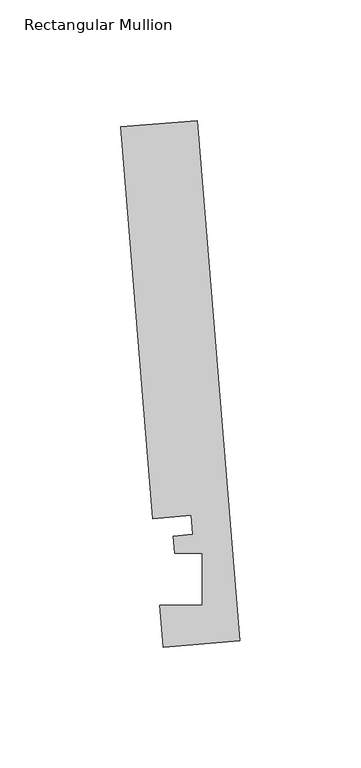
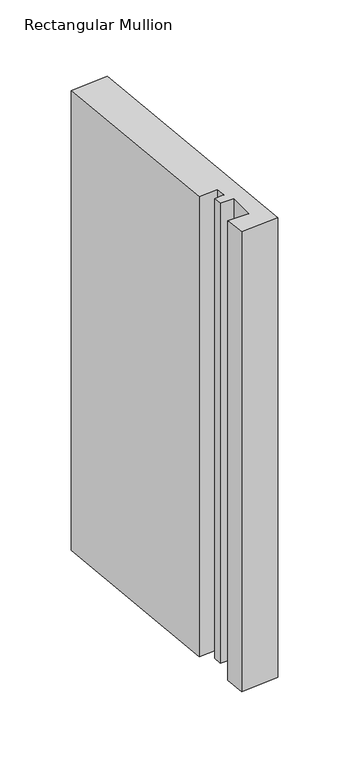
"""IFC4 building model written with IfcOpenShell, lengths in millimetres: member geometry, Rectangular Mullion."""

import ifcopenshell
import ifcopenshell.guid

model = None  # the IFC model being written
_history = None  # IfcOwnerHistory: only IFC2X3 demands one
_inside = {}  # id of a spatial element -> (the spatial element, [elements in it])
_under = {}  # id of a project, library or spatial element -> (it, [spatial elements below it])
_declared = {}  # id of a project -> (the project, [libraries it declares])
_typed = {}  # id of a type object -> (the type object, [elements of that type])
_made_of = {}  # id of a material, layer set ... -> (it, [elements and type objects made of it])


def new_model(schema):
    """Start an empty IFC model of exactly this schema.

    Asked for "IFC4X3", IfcOpenShell would pick the latest addendum, in which some entities
    have other attributes; the version numbers below select the first issue.
    IFC2X3 requires an IfcOwnerHistory on every rooted entity: one is made here for all.
    """
    global model, _history
    if schema == "IFC4X3":
        model = ifcopenshell.file(schema_version=(4, 3, 0, 0))
    else:
        model = ifcopenshell.file(schema=schema)
    _inside.clear()
    _under.clear()
    _declared.clear()
    _typed.clear()
    _made_of.clear()
    _history = None
    if model.schema == "IFC2X3":
        org = make("IfcOrganization", Name="unknown")
        user = make(
            "IfcPersonAndOrganization",
            ThePerson=make("IfcPerson", FamilyName="unknown"),
            TheOrganization=org,
        )
        app = make(
            "IfcApplication",
            ApplicationDeveloper=org,
            Version="unknown",
            ApplicationFullName="unknown",
            ApplicationIdentifier="unknown",
        )
        _history = make(
            "IfcOwnerHistory",
            OwningUser=user,
            OwningApplication=app,
            ChangeAction="ADDED",
            CreationDate=0,
        )
    return model


def make(cls, **values):
    """One entity of the class cls with the attributes given. An attribute that is None is left unset."""
    return model.create_entity(
        cls, **{name: value for name, value in values.items() if value is not None}
    )


def rooted(cls, **values):
    """An entity with a GlobalId (a new one), such as an element, a storey or a relation."""
    return make(cls, GlobalId=ifcopenshell.guid.new(), OwnerHistory=_history, **values)


def si_unit(unit_type, name, prefix=None):
    """IfcSIUnit, for example si_unit("LENGTHUNIT", "METRE", prefix="MILLI")."""
    return make("IfcSIUnit", UnitType=unit_type, Prefix=prefix, Name=name)


def assignment(units):
    """IfcUnitAssignment: the units of a project."""
    return None if units is None else make("IfcUnitAssignment", Units=units)


def point(xyz):
    """IfcCartesianPoint."""
    return None if xyz is None else make("IfcCartesianPoint", Coordinates=xyz)


def direction(xyz):
    """IfcDirection."""
    return None if xyz is None else make("IfcDirection", DirectionRatios=xyz)


def frame(location, z_axis=None, x_axis=None):
    """IfcAxis2Placement3D, a coordinate frame: its origin and axes. An axis left out is left unset."""
    return make(
        "IfcAxis2Placement3D",
        Location=point(location),
        Axis=direction(z_axis),
        RefDirection=direction(x_axis),
    )


def origin():
    """The frame at (0, 0, 0) with its axes left unset."""
    return frame((0.0, 0.0, 0.0))


def place(relative_to, where):
    """IfcLocalPlacement: puts the frame where relative to a parent placement (None: the world)."""
    return make(
        "IfcLocalPlacement", PlacementRelTo=relative_to, RelativePlacement=where
    )


def context(
    kind, dimensions, precision=None, world=None, true_north=None, identifier=None
):
    """IfcGeometricRepresentationContext, for example the 3D "Model" context."""
    return make(
        "IfcGeometricRepresentationContext",
        ContextIdentifier=identifier,
        ContextType=kind,
        CoordinateSpaceDimension=dimensions,
        Precision=precision,
        WorldCoordinateSystem=world,
        TrueNorth=true_north,
    )


def project(units=None, contexts=None):
    """IfcProject with its units and contexts."""
    return rooted(
        "IfcProject",
        Name="project",
        RepresentationContexts=contexts,
        UnitsInContext=assignment(units),
    )


def spatial(cls, under=None, at=None, **own):
    """A site, building, storey or space (cls), placed at a placement, below another one or the project."""
    s = rooted(cls, ObjectPlacement=at, **own)
    if under is not None:
        _under.setdefault(under.id(), (under, []))[1].append(s)
    return s


def polyline(points):
    """IfcPolyline through the points."""
    return make("IfcPolyline", Points=[point(p) for p in points])


def outline(outer, holes=None, kind="AREA"):
    """IfcArbitraryClosedProfileDef: a profile drawn as a closed curve; with holes, ...WithVoids."""
    if holes is None:
        return make("IfcArbitraryClosedProfileDef", ProfileType=kind, OuterCurve=outer)
    return make(
        "IfcArbitraryProfileDefWithVoids",
        ProfileType=kind,
        OuterCurve=outer,
        InnerCurves=holes,
    )


def extrude(swept, where, along, depth):
    """IfcExtrudedAreaSolid: the profile swept, set in the frame where, extruded along a direction by depth."""
    return make(
        "IfcExtrudedAreaSolid",
        SweptArea=swept,
        Position=where,
        ExtrudedDirection=direction(along),
        Depth=depth,
    )


def shape(context_of_items, identifier, shape_type, items):
    """IfcShapeRepresentation: the items that make up one representation, for example the "Body"."""
    return make(
        "IfcShapeRepresentation",
        ContextOfItems=context_of_items,
        RepresentationIdentifier=identifier,
        RepresentationType=shape_type,
        Items=items,
    )


def source(mapping_origin, context_of_items, identifier, shape_type, items):
    """IfcRepresentationMap: a shape defined once, which mapped items show again and again."""
    return make(
        "IfcRepresentationMap",
        MappingOrigin=mapping_origin,
        MappedRepresentation=shape(context_of_items, identifier, shape_type, items),
    )


def transform(
    local_origin,
    x_axis=None,
    y_axis=None,
    z_axis=None,
    scale=None,
    scale2=None,
    scale3=None,
    uniform=True,
):
    """IfcCartesianTransformationOperator3D, or its non-uniform kind. x_axis, y_axis, z_axis: its Axis1, 2, 3."""
    if uniform:
        return make(
            "IfcCartesianTransformationOperator3D",
            Axis1=direction(x_axis),
            Axis2=direction(y_axis),
            LocalOrigin=point(local_origin),
            Scale=scale,
            Axis3=direction(z_axis),
        )
    return make(
        "IfcCartesianTransformationOperator3DnonUniform",
        Axis1=direction(x_axis),
        Axis2=direction(y_axis),
        LocalOrigin=point(local_origin),
        Scale=scale,
        Axis3=direction(z_axis),
        Scale2=scale2,
        Scale3=scale3,
    )


def mapped(mapping_source, mapping_target):
    """IfcMappedItem: shows the shape of a source again, moved by a transform."""
    return make(
        "IfcMappedItem", MappingSource=mapping_source, MappingTarget=mapping_target
    )


def made_of(thing, what):
    """Note that an element or type object is made of a material, layer set ...; save() writes the relation."""
    if what is not None:
        _made_of.setdefault(what.id(), (what, []))[1].append(thing)
    return thing


def element(
    cls,
    number,
    at=None,
    inside=None,
    cuts=None,
    type_object=None,
    material=None,
    context=None,
    identifier="Body",
    shape_type=None,
    held_by="IfcProductDefinitionShape",
    body=None,
    shapes=None,
    **own,
):
    """One element of the class cls, such as IfcWall. Its Tag is "e" and its number.

    at: its placement. inside: the storey or other place that contains it. cuts: it is an
    opening in that element (IfcRelVoidsElement). A single representation is given by context,
    identifier, shape_type and body (its items); several are given by shapes. held_by: the class
    of the entity that holds the representations. save() writes the other relations.
    """
    e = rooted(cls, Tag="e%d" % number, ObjectPlacement=at, **own)
    if body is not None:
        shapes = [shape(context, identifier, shape_type, body)]
    if shapes is not None:
        e.Representation = make(held_by, Representations=shapes)
    if inside is not None:
        _inside.setdefault(inside.id(), (inside, []))[1].append(e)
    if cuts is not None:
        rooted(
            "IfcRelVoidsElement", RelatingBuildingElement=cuts, RelatedOpeningElement=e
        )
    if type_object is not None:
        _typed.setdefault(type_object.id(), (type_object, []))[1].append(e)
    return made_of(e, material)


def aggregate(whole, parts):
    """IfcRelAggregates: a whole, such as a stair, and the parts it consists of."""
    return rooted("IfcRelAggregates", RelatingObject=whole, RelatedObjects=parts)


def save(model, path):
    """Write the relations noted so far, then the file.

    IfcRelAggregates (storeys below a building ...), IfcRelContainedInSpatialStructure (elements
    in a storey), IfcRelDefinesByType, IfcRelAssociatesMaterial and IfcRelDeclares: one each for
    every whole, place, type object, material and project.
    """
    for whole, parts in _under.values():
        aggregate(whole, parts)
    for where, things in _inside.values():
        rooted(
            "IfcRelContainedInSpatialStructure",
            RelatedElements=things,
            RelatingStructure=where,
        )
    for kind, things in _typed.values():
        rooted("IfcRelDefinesByType", RelatedObjects=things, RelatingType=kind)
    for what, things in _made_of.values():
        rooted("IfcRelAssociatesMaterial", RelatedObjects=things, RelatingMaterial=what)
    for by, libraries in _declared.values():
        rooted("IfcRelDeclares", RelatingContext=by, RelatedDefinitions=libraries)
    model.write(path)


def rectangular_mullion_ccb2792f(model_context):
    return source(origin(), model_context, "Body", "SweptSolid", [
        extrude(outline(polyline([(-0.2190396, 2.6699364), (-31.8627302, 0.0739116), (-33.2772473, 17.315866), (-15.8506254, 17.315866), (-15.848851, 38.9474576), (-27.100463, 38.9474576), (-27.6861262, 46.0862742), (-19.7625461, 46.7363188), (-20.4084371, 54.6092691), (-36.2302824, 53.3112566), (-49.5364672, 215.5041572), (-17.8927766, 218.100182), (-0.2190396, 2.6699364)])), frame((0.0, 0.0, -405.1320044), z_axis=(0.0, 0.0, 1.0), x_axis=(1.0, 0.0, 0.0)), (0.0, 0.0, 1.0), 405.1320044),
    ])


if __name__ == "__main__":
    model = new_model("IFC4")
    model_context = context("Model", 3, world=origin())
    ifc_project = project(units=[si_unit("LENGTHUNIT", "METRE", prefix="MILLI")], contexts=[model_context])
    site = spatial("IfcSite", under=ifc_project)
    building = spatial("IfcBuilding", under=site)
    placement = place(None, origin())
    rectangular_mullion_shape = rectangular_mullion_ccb2792f(model_context)
    element("IfcMember", 1, ObjectType="Rectangular Mullion", at=placement, inside=building, context=model_context, shape_type="MappedRepresentation", body=[
        mapped(rectangular_mullion_shape, transform((0.0, 0.0, 0.0), x_axis=(1.0, 0.0, 0.0), y_axis=(0.0, 1.0, 0.0), z_axis=(0.0, 0.0, 1.0))),
    ])
    save(model, "model.ifc")
